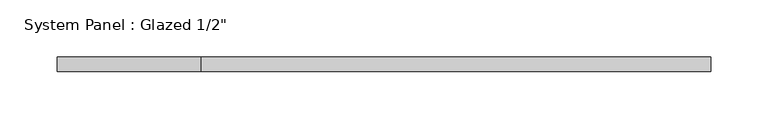
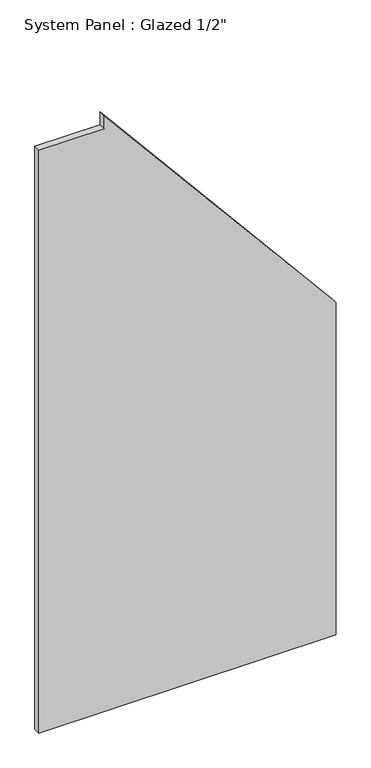
"""IFC4 building model written with IfcOpenShell, lengths in millimetres: plate geometry."""

from ifc_helpers import new_model, si_unit, frame, origin, place, context, project, spatial, polyline, outline, extrude, source, transform, mapped, element, save


def plate_59b5efa7(model_context):
    return source(origin(), model_context, "Body", "SweptSolid", [
        extrude(outline(polyline([(0.0, -284.9706866), (0.0, 284.9706866), (672.6628332, 284.9706866), (1206.8853472, -159.5293134), (1180.5340336, -159.5293134), (1180.5340336, -284.9706866), (0.0, -284.9706866)])), frame((0.0, -6.35, 0.0), z_axis=(0.0, 1.0, 0.0), x_axis=(0.0, 0.0, 1.0)), (0.0, 0.0, 1.0), 12.7),
    ])


if __name__ == "__main__":
    model = new_model("IFC4")
    model_context = context("Model", 3, world=origin())
    ifc_project = project(units=[si_unit("LENGTHUNIT", "METRE", prefix="MILLI")], contexts=[model_context])
    site = spatial("IfcSite", under=ifc_project)
    building = spatial("IfcBuilding", under=site)
    placement = place(None, origin())
    plate_shape = plate_59b5efa7(model_context)
    element("IfcPlate", 1, ObjectType="System Panel : Glazed 1/2\"", at=placement, inside=building, context=model_context, shape_type="MappedRepresentation", body=[
        mapped(plate_shape, transform((0.0, 0.0, 0.0), x_axis=(1.0, 0.0, 0.0), y_axis=(0.0, 1.0, 0.0), z_axis=(0.0, 0.0, 1.0))),
    ])
    save(model, "model.ifc")
